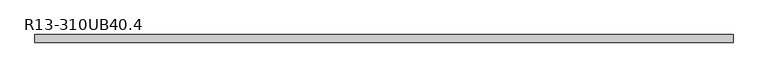
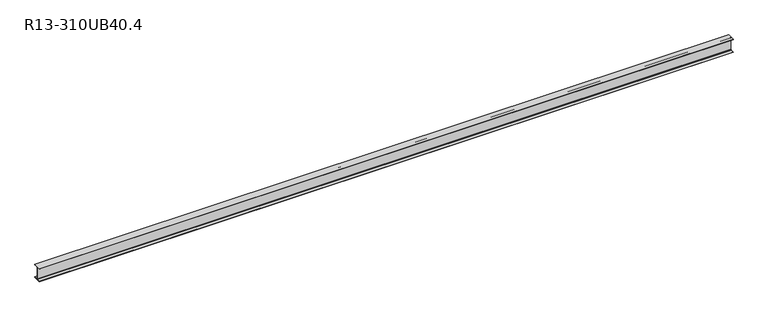
"""IFC4 building model written with IfcOpenShell, lengths in millimetres: beam geometry, R13-310UB40.4."""

from ifc_helpers import new_model, si_unit, point, frame, frame_2d, origin, place, context, project, spatial, polyline, circle_curve, trimmed, segment, composite_curve, outline, extrude, source, transform, mapped, element, save


def r13_310ub40_4_55fec0d0(model_context):
    return source(origin(), model_context, "Body", "SweptSolid", [
        extrude(outline(composite_curve([segment(polyline([(82.5, -141.8), (82.5, -152.0), (-82.5, -152.0), (-82.5, -141.8), (-14.45, -141.8)]), True, "CONTINUOUS"), segment(trimmed(circle_curve(frame_2d((-14.45, -130.4)), 11.4), [point((-14.45, -141.8))], [point((-3.05, -130.4))], True, "CARTESIAN"), True, "CONTINUOUS"), segment(polyline([(-3.05, -130.4), (-3.05, 130.4)]), True, "CONTINUOUS"), segment(trimmed(circle_curve(frame_2d((-14.45, 130.4)), 11.4), [point((-3.05, 130.4))], [point((-14.45, 141.8))], True, "CARTESIAN"), True, "CONTINUOUS"), segment(polyline([(-14.45, 141.8), (-82.5, 141.8), (-82.5, 152.0), (82.5, 152.0), (82.5, 141.8), (14.45, 141.8)]), True, "CONTINUOUS"), segment(trimmed(circle_curve(frame_2d((14.45, 130.4)), 11.4), [point((14.45, 141.8))], [point((3.05, 130.4))], True, "CARTESIAN"), True, "CONTINUOUS"), segment(polyline([(3.05, 130.4), (3.05, -130.4)]), True, "CONTINUOUS"), segment(trimmed(circle_curve(frame_2d((14.45, -130.4)), 11.4), [point((3.05, -130.4))], [point((14.45, -141.8))], True, "CARTESIAN"), True, "CONTINUOUS"), segment(polyline([(14.45, -141.8), (82.5, -141.8)]), True, "CONTINUOUS")], self_intersect=False)), frame((-7491.0, 0.0, 0.0), z_axis=(1.0, 0.0, 0.0), x_axis=(0.0, 1.0, 0.0)), (0.0, 0.0, 1.0), 15089.0),
    ])


if __name__ == "__main__":
    model = new_model("IFC4")
    model_context = context("Model", 3, world=origin())
    ifc_project = project(units=[si_unit("LENGTHUNIT", "METRE", prefix="MILLI")], contexts=[model_context])
    site = spatial("IfcSite", under=ifc_project)
    building = spatial("IfcBuilding", under=site)
    placement = place(None, origin())
    r13_310ub40_4_shape = r13_310ub40_4_55fec0d0(model_context)
    element("IfcBeam", 1, ObjectType="R13-310UB40.4", at=placement, inside=building, context=model_context, shape_type="MappedRepresentation", body=[
        mapped(r13_310ub40_4_shape, transform((0.0, 0.0, 0.0), x_axis=(1.0, 0.0, 0.0), y_axis=(0.0, 1.0, 0.0), z_axis=(0.0, 0.0, 1.0))),
    ])
    save(model, "model.ifc")
